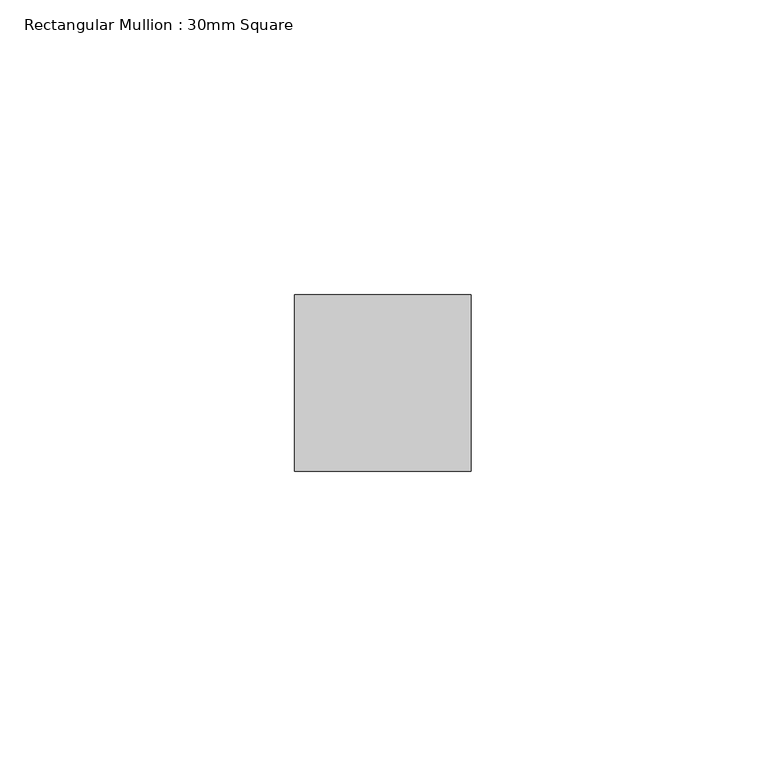
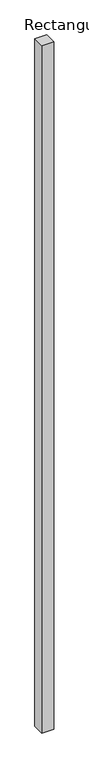
"""IFC4 building model written with IfcOpenShell, lengths in millimetres: member geometry, Rectangular Mullion : 30mm Square."""

from ifc_helpers import new_model, si_unit, frame, origin, place, context, project, spatial, polyline, outline, extrude, source, transform, mapped, element, save


def rectangular_mullion_30mm_square_0aa9443e(model_context):
    return source(origin(), model_context, "Body", "SweptSolid", [
        extrude(outline(polyline([(0.0, 15.0), (0.0, -15.0), (-30.0, -15.0), (-30.0, 15.0), (0.0, 15.0)])), frame((0.0, 0.0, -1830.508389), z_axis=(0.0, 0.0, 1.0), x_axis=(1.0, 0.0, 0.0)), (0.0, 0.0, 1.0), 1830.508389),
    ])


if __name__ == "__main__":
    model = new_model("IFC4")
    model_context = context("Model", 3, world=origin())
    ifc_project = project(units=[si_unit("LENGTHUNIT", "METRE", prefix="MILLI")], contexts=[model_context])
    site = spatial("IfcSite", under=ifc_project)
    building = spatial("IfcBuilding", under=site)
    placement = place(None, origin())
    rectangular_mullion_30mm_square_shape = rectangular_mullion_30mm_square_0aa9443e(model_context)
    element("IfcMember", 1, ObjectType="Rectangular Mullion : 30mm Square", at=placement, inside=building, context=model_context, shape_type="MappedRepresentation", body=[
        mapped(rectangular_mullion_30mm_square_shape, transform((0.0, 0.0, 0.0), x_axis=(1.0, 0.0, 0.0), y_axis=(0.0, 1.0, 0.0), z_axis=(0.0, 0.0, 1.0))),
    ])
    save(model, "model.ifc")
